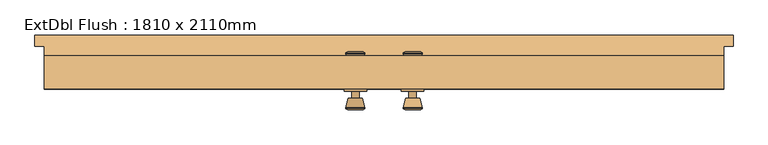
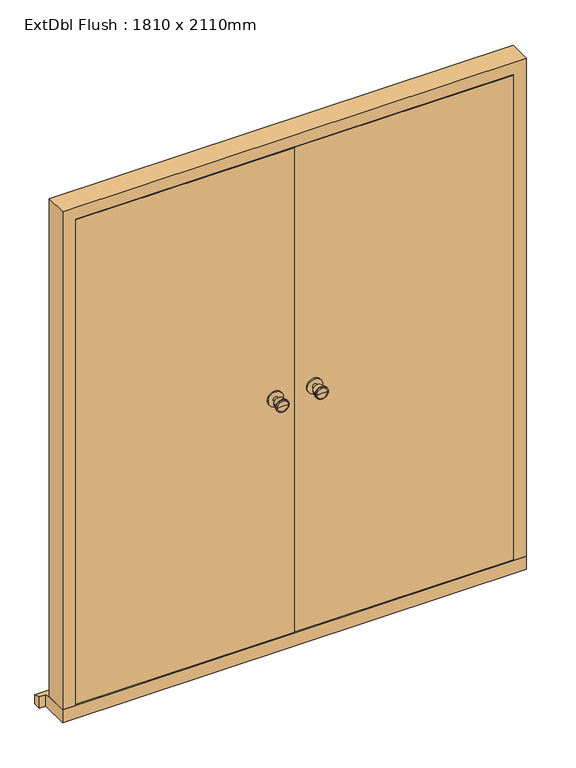
"""IFC4 building model written with IfcOpenShell, lengths in millimetres: door geometry, ExtDbl Flush : 1810 x 2110mm."""

from ifc_helpers import new_model, si_unit, point, frame, frame_2d, origin, place, context, project, spatial, polyline, circle_curve, trimmed, segment, composite_curve, outline, extrude, faceted_brep, source, transform, mapped, element, save
from ifc_brep_helpers import plane_surface, cylinder_surface, revolved_surface, advanced_brep


def extdbl_flush_1810_x_2110mm_9a210636(model_context):
    return source(origin(), model_context, "Body", "SolidModel", [
        advanced_brep(
        [(-76.5, -20.0, 1050.0), (-66.5, -20.0, 1050.0), (-86.5, -20.0, 1050.0), (-96.9758676, -69.0, 1050.0), (-56.0241324, -69.0, 1050.0), (-76.5, -69.0, 1050.0), (-101.5, -67.1721319, 1050.0), (-51.5, -67.1721319, 1050.0), (-101.5, -63.7084537, 1050.0), (-51.5, -63.7084537, 1050.0), (-95.136236, -39.0, 1050.0), (-57.863764, -39.0, 1050.0), (-86.5, -39.0, 1050.0), (-66.5, -39.0, 1050.0)],
        [
            (0, 1),
            (1, 2, circle_curve(frame((-76.5, -20.0, 1050.0), z_axis=(0.0, 1.0, 0.0), x_axis=(1.0, 0.0, 0.0)), 10.0)),
            (2, 0),
            (2, 1, circle_curve(frame((-76.5, -20.0, 1050.0), z_axis=(0.0, 1.0, 0.0), x_axis=(1.0, 0.0, 0.0)), 10.0)),
            (3, 4, circle_curve(frame((-76.5, -69.0, 1050.0), z_axis=(0.0, -1.0, 0.0), x_axis=(1.0, 0.0, 0.0)), 20.4758676)),
            (4, 5),
            (5, 3),
            (4, 3, circle_curve(frame((-76.5, -69.0, 1050.0), z_axis=(0.0, -1.0, 0.0), x_axis=(1.0, 0.0, 0.0)), 20.4758676)),
            (6, 7, circle_curve(frame((-76.5, -67.1721319, 1050.0), z_axis=(0.0, -1.0, 0.0), x_axis=(1.0, 0.0, 0.0)), 25.0)),
            (7, 4),
            (3, 6),
            (7, 6, circle_curve(frame((-76.5, -67.1721319, 1050.0), z_axis=(0.0, -1.0, 0.0), x_axis=(1.0, 0.0, 0.0)), 25.0)),
            (8, 9, circle_curve(frame((-76.5, -63.7084537, 1050.0), z_axis=(0.0, -1.0, 0.0), x_axis=(1.0, 0.0, 0.0)), 25.0)),
            (9, 7),
            (6, 8),
            (9, 8, circle_curve(frame((-76.5, -63.7084537, 1050.0), z_axis=(0.0, -1.0, 0.0), x_axis=(1.0, 0.0, 0.0)), 25.0)),
            (10, 11, circle_curve(frame((-76.5, -39.0, 1050.0), z_axis=(0.0, -1.0, 0.0), x_axis=(1.0, 0.0, 0.0)), 18.636236)),
            (11, 9),
            (8, 10),
            (11, 10, circle_curve(frame((-76.5, -39.0, 1050.0), z_axis=(0.0, -1.0, 0.0), x_axis=(1.0, 0.0, 0.0)), 18.636236)),
            (12, 13, circle_curve(frame((-76.5, -39.0, 1050.0), z_axis=(0.0, -1.0, 0.0), x_axis=(1.0, 0.0, 0.0)), 10.0)),
            (13, 11),
            (10, 12),
            (13, 12, circle_curve(frame((-76.5, -39.0, 1050.0), z_axis=(0.0, -1.0, 0.0), x_axis=(1.0, 0.0, 0.0)), 10.0)),
            (1, 13),
            (12, 2),
        ],
        [
            plane_surface(frame((-76.5, -20.0, 1050.0), z_axis=(0.0, 1.0, 0.0), x_axis=(1.0, 0.0, 0.0))),
            plane_surface(frame((-76.5, -69.0, 1050.0), z_axis=(0.0, -1.0, 0.0), x_axis=(1.0, 0.0, 0.0))),
            revolved_surface(polyline([(-56.0241324, -69.0, 1050.0), (-51.5, -67.1721319, 1050.0)]), (-76.5, -20.0, 1050.0), (0.0, 1.0, 0.0)),
            cylinder_surface(frame((-76.5, -20.0, 1050.0), z_axis=(0.0, 1.0, 0.0), x_axis=(1.0, 0.0, 0.0)), 25.0),
            revolved_surface(polyline([(-51.5, -63.7084537, 1050.0), (-57.863764, -39.0, 1050.0)]), (-76.5, -20.0, 1050.0), (0.0, 1.0, 0.0)),
            plane_surface(frame((-76.5, -39.0, 1050.0), z_axis=(0.0, 1.0, 0.0), x_axis=(1.0, 0.0, 0.0))),
            cylinder_surface(frame((-76.5, -20.0, 1050.0), z_axis=(0.0, 1.0, 0.0), x_axis=(1.0, 0.0, 0.0)), 10.0),
        ],
        [
            (0, [[1, 2, 3]]),
            (0, [[-3, 4, -1]]),
            (1, [[5, 6, 7]]),
            (1, [[8, -7, -6]]),
            (2, [[9, 10, -5, 11]]),
            (2, [[12, -11, -8, -10]]),
            (3, [[13, 14, -9, 15]]),
            (3, [[16, -15, -12, -14]]),
            (4, [[17, 18, -13, 19]]),
            (4, [[20, -19, -16, -18]]),
            (5, [[21, 22, -17, 23]]),
            (5, [[24, -23, -20, -22]]),
            (6, [[-2, 25, -21, 26]]),
            (6, [[-4, -26, -24, -25]]),
        ],
    ),
        extrude(outline(composite_curve([segment(trimmed(circle_curve(frame_2d((1050.0, -76.5)), 30.0), [point((1050.0, -46.5))], [point((1050.0, -106.5))], False, "CARTESIAN"), True, "CONTINUOUS"), segment(trimmed(circle_curve(frame_2d((1050.0, -76.5)), 30.0), [point((1050.0, -106.5))], [point((1050.0, -46.5))], False, "CARTESIAN"), True, "CONTINUOUS")], self_intersect=False)), frame((0.0, -20.0, 0.0), z_axis=(0.0, 1.0, 0.0), x_axis=(0.0, 0.0, 1.0)), (0.0, 0.0, 1.0), 6.0),
        advanced_brep(
        [(-76.5, 36.0, 1050.0), (-86.5, 36.0, 1050.0), (-66.5, 36.0, 1050.0), (-96.9758676, 85.0, 1050.0), (-76.5, 85.0, 1050.0), (-56.0241324, 85.0, 1050.0), (-101.5, 83.1721319, 1050.0), (-51.5, 83.1721319, 1050.0), (-101.5, 79.7084537, 1050.0), (-51.5, 79.7084537, 1050.0), (-95.136236, 55.0, 1050.0), (-57.863764, 55.0, 1050.0), (-86.5, 55.0, 1050.0), (-66.5, 55.0, 1050.0)],
        [
            (0, 1),
            (1, 2, circle_curve(frame((-76.5, 36.0, 1050.0), z_axis=(0.0, -1.0, 0.0), x_axis=(1.0, 0.0, 0.0)), 10.0)),
            (2, 0),
            (2, 1, circle_curve(frame((-76.5, 36.0, 1050.0), z_axis=(0.0, -1.0, 0.0), x_axis=(1.0, 0.0, 0.0)), 10.0)),
            (3, 4),
            (4, 5),
            (5, 3, circle_curve(frame((-76.5, 85.0, 1050.0), z_axis=(0.0, 1.0, 0.0), x_axis=(1.0, 0.0, 0.0)), 20.4758676)),
            (3, 5, circle_curve(frame((-76.5, 85.0, 1050.0), z_axis=(0.0, 1.0, 0.0), x_axis=(1.0, 0.0, 0.0)), 20.4758676)),
            (6, 3),
            (5, 7),
            (7, 6, circle_curve(frame((-76.5, 83.1721319, 1050.0), z_axis=(0.0, 1.0, 0.0), x_axis=(1.0, 0.0, 0.0)), 25.0)),
            (6, 7, circle_curve(frame((-76.5, 83.1721319, 1050.0), z_axis=(0.0, 1.0, 0.0), x_axis=(1.0, 0.0, 0.0)), 25.0)),
            (8, 6),
            (7, 9),
            (9, 8, circle_curve(frame((-76.5, 79.7084537, 1050.0), z_axis=(0.0, 1.0, 0.0), x_axis=(1.0, 0.0, 0.0)), 25.0)),
            (8, 9, circle_curve(frame((-76.5, 79.7084537, 1050.0), z_axis=(0.0, 1.0, 0.0), x_axis=(1.0, 0.0, 0.0)), 25.0)),
            (10, 8),
            (9, 11),
            (11, 10, circle_curve(frame((-76.5, 55.0, 1050.0), z_axis=(0.0, 1.0, 0.0), x_axis=(1.0, 0.0, 0.0)), 18.636236)),
            (10, 11, circle_curve(frame((-76.5, 55.0, 1050.0), z_axis=(0.0, 1.0, 0.0), x_axis=(1.0, 0.0, 0.0)), 18.636236)),
            (12, 10),
            (11, 13),
            (13, 12, circle_curve(frame((-76.5, 55.0, 1050.0), z_axis=(0.0, 1.0, 0.0), x_axis=(1.0, 0.0, 0.0)), 10.0)),
            (12, 13, circle_curve(frame((-76.5, 55.0, 1050.0), z_axis=(0.0, 1.0, 0.0), x_axis=(1.0, 0.0, 0.0)), 10.0)),
            (1, 12),
            (13, 2),
        ],
        [
            plane_surface(frame((-76.5, 36.0, 1050.0), z_axis=(0.0, -1.0, 0.0), x_axis=(1.0, 0.0, 0.0))),
            plane_surface(frame((-76.5, 85.0, 1050.0), z_axis=(0.0, 1.0, 0.0), x_axis=(1.0, 0.0, 0.0))),
            revolved_surface(polyline([(-56.0241324, 85.0, 1050.0), (-51.5, 83.1721319, 1050.0)]), (-76.5, 36.0, 1050.0), (0.0, -1.0, 0.0)),
            cylinder_surface(frame((-76.5, 36.0, 1050.0), z_axis=(0.0, -1.0, 0.0), x_axis=(1.0, 0.0, 0.0)), 25.0),
            revolved_surface(polyline([(-51.5, 79.7084537, 1050.0), (-57.863764, 55.0, 1050.0)]), (-76.5, 36.0, 1050.0), (0.0, -1.0, 0.0)),
            plane_surface(frame((-76.5, 55.0, 1050.0), z_axis=(0.0, -1.0, 0.0), x_axis=(1.0, 0.0, 0.0))),
            cylinder_surface(frame((-76.5, 36.0, 1050.0), z_axis=(0.0, -1.0, 0.0), x_axis=(1.0, 0.0, 0.0)), 10.0),
        ],
        [
            (0, [[1, 2, 3]]),
            (0, [[-3, 4, -1]]),
            (1, [[5, 6, 7]]),
            (1, [[-6, -5, 8]]),
            (2, [[9, -7, 10, 11]]),
            (2, [[-10, -8, -9, 12]]),
            (3, [[13, -11, 14, 15]]),
            (3, [[-14, -12, -13, 16]]),
            (4, [[17, -15, 18, 19]]),
            (4, [[-18, -16, -17, 20]]),
            (5, [[21, -19, 22, 23]]),
            (5, [[-22, -20, -21, 24]]),
            (6, [[25, -23, 26, -2]]),
            (6, [[-26, -24, -25, -4]]),
        ],
    ),
        extrude(outline(composite_curve([segment(trimmed(circle_curve(frame_2d((1050.0, -76.5)), 30.0), [point((1050.0, -46.5))], [point((1050.0, -106.5))], False, "CARTESIAN"), True, "CONTINUOUS"), segment(trimmed(circle_curve(frame_2d((1050.0, -76.5)), 30.0), [point((1050.0, -106.5))], [point((1050.0, -46.5))], False, "CARTESIAN"), True, "CONTINUOUS")], self_intersect=False)), frame((0.0, 30.0, 0.0), z_axis=(0.0, 1.0, 0.0), x_axis=(0.0, 0.0, 1.0)), (0.0, 0.0, 1.0), 6.0),
        advanced_brep(
        [(76.5, -20.0, 1050.0), (86.5, -20.0, 1050.0), (66.5, -20.0, 1050.0), (96.9758676, -69.0, 1050.0), (76.5, -69.0, 1050.0), (56.0241324, -69.0, 1050.0), (101.5, -67.1721319, 1050.0), (51.5, -67.1721319, 1050.0), (101.5, -63.7084537, 1050.0), (51.5, -63.7084537, 1050.0), (95.136236, -39.0, 1050.0), (57.863764, -39.0, 1050.0), (86.5, -39.0, 1050.0), (66.5, -39.0, 1050.0)],
        [
            (0, 1),
            (1, 2, circle_curve(frame((76.5, -20.0, 1050.0), z_axis=(0.0, 1.0, 0.0), x_axis=(-1.0, 0.0, 0.0)), 10.0)),
            (2, 0),
            (2, 1, circle_curve(frame((76.5, -20.0, 1050.0), z_axis=(0.0, 1.0, 0.0), x_axis=(-1.0, 0.0, 0.0)), 10.0)),
            (3, 4),
            (4, 5),
            (5, 3, circle_curve(frame((76.5, -69.0, 1050.0), z_axis=(0.0, -1.0, 0.0), x_axis=(-1.0, 0.0, 0.0)), 20.4758676)),
            (3, 5, circle_curve(frame((76.5, -69.0, 1050.0), z_axis=(0.0, -1.0, 0.0), x_axis=(-1.0, 0.0, 0.0)), 20.4758676)),
            (6, 3),
            (5, 7),
            (7, 6, circle_curve(frame((76.5, -67.1721319, 1050.0), z_axis=(0.0, -1.0, 0.0), x_axis=(-1.0, 0.0, 0.0)), 25.0)),
            (6, 7, circle_curve(frame((76.5, -67.1721319, 1050.0), z_axis=(0.0, -1.0, 0.0), x_axis=(-1.0, 0.0, 0.0)), 25.0)),
            (8, 6),
            (7, 9),
            (9, 8, circle_curve(frame((76.5, -63.7084537, 1050.0), z_axis=(0.0, -1.0, 0.0), x_axis=(-1.0, 0.0, 0.0)), 25.0)),
            (8, 9, circle_curve(frame((76.5, -63.7084537, 1050.0), z_axis=(0.0, -1.0, 0.0), x_axis=(-1.0, 0.0, 0.0)), 25.0)),
            (10, 8),
            (9, 11),
            (11, 10, circle_curve(frame((76.5, -39.0, 1050.0), z_axis=(0.0, -1.0, 0.0), x_axis=(-1.0, 0.0, 0.0)), 18.636236)),
            (10, 11, circle_curve(frame((76.5, -39.0, 1050.0), z_axis=(0.0, -1.0, 0.0), x_axis=(-1.0, 0.0, 0.0)), 18.636236)),
            (12, 10),
            (11, 13),
            (13, 12, circle_curve(frame((76.5, -39.0, 1050.0), z_axis=(0.0, -1.0, 0.0), x_axis=(-1.0, 0.0, 0.0)), 10.0)),
            (12, 13, circle_curve(frame((76.5, -39.0, 1050.0), z_axis=(0.0, -1.0, 0.0), x_axis=(-1.0, 0.0, 0.0)), 10.0)),
            (1, 12),
            (13, 2),
        ],
        [
            plane_surface(frame((76.5, -20.0, 1050.0), z_axis=(0.0, 1.0, 0.0), x_axis=(-1.0, 0.0, 0.0))),
            plane_surface(frame((76.5, -69.0, 1050.0), z_axis=(0.0, -1.0, 0.0), x_axis=(-1.0, 0.0, 0.0))),
            revolved_surface(polyline([(56.0241324, -69.0, 1050.0), (51.5, -67.1721319, 1050.0)]), (76.5, -20.0, 1050.0), (0.0, 1.0, 0.0)),
            cylinder_surface(frame((76.5, -20.0, 1050.0), z_axis=(0.0, 1.0, 0.0), x_axis=(-1.0, 0.0, 0.0)), 25.0),
            revolved_surface(polyline([(51.5, -63.7084537, 1050.0), (57.863764, -39.0, 1050.0)]), (76.5, -20.0, 1050.0), (0.0, 1.0, 0.0)),
            plane_surface(frame((76.5, -39.0, 1050.0), z_axis=(0.0, 1.0, 0.0), x_axis=(-1.0, 0.0, 0.0))),
            cylinder_surface(frame((76.5, -20.0, 1050.0), z_axis=(0.0, 1.0, 0.0), x_axis=(-1.0, 0.0, 0.0)), 10.0),
        ],
        [
            (0, [[1, 2, 3]]),
            (0, [[-3, 4, -1]]),
            (1, [[5, 6, 7]]),
            (1, [[-6, -5, 8]]),
            (2, [[9, -7, 10, 11]]),
            (2, [[-10, -8, -9, 12]]),
            (3, [[13, -11, 14, 15]]),
            (3, [[-14, -12, -13, 16]]),
            (4, [[17, -15, 18, 19]]),
            (4, [[-18, -16, -17, 20]]),
            (5, [[21, -19, 22, 23]]),
            (5, [[-22, -20, -21, 24]]),
            (6, [[25, -23, 26, -2]]),
            (6, [[-26, -24, -25, -4]]),
        ],
    ),
        extrude(outline(composite_curve([segment(trimmed(circle_curve(frame_2d((1050.0, 76.5)), 30.0), [point((1050.0, 46.5))], [point((1050.0, 106.5))], False, "CARTESIAN"), True, "CONTINUOUS"), segment(trimmed(circle_curve(frame_2d((1050.0, 76.5)), 30.0), [point((1050.0, 106.5))], [point((1050.0, 46.5))], False, "CARTESIAN"), True, "CONTINUOUS")], self_intersect=False)), frame((0.0, -20.0, 0.0), z_axis=(0.0, 1.0, 0.0), x_axis=(0.0, 0.0, 1.0)), (0.0, 0.0, 1.0), 6.0),
        advanced_brep(
        [(76.5, 36.0, 1050.0), (66.5, 36.0, 1050.0), (86.5, 36.0, 1050.0), (96.9758676, 85.0, 1050.0), (56.0241324, 85.0, 1050.0), (76.5, 85.0, 1050.0), (101.5, 83.1721319, 1050.0), (51.5, 83.1721319, 1050.0), (101.5, 79.7084537, 1050.0), (51.5, 79.7084537, 1050.0), (95.136236, 55.0, 1050.0), (57.863764, 55.0, 1050.0), (86.5, 55.0, 1050.0), (66.5, 55.0, 1050.0)],
        [
            (0, 1),
            (1, 2, circle_curve(frame((76.5, 36.0, 1050.0), z_axis=(0.0, -1.0, 0.0), x_axis=(-1.0, 0.0, 0.0)), 10.0)),
            (2, 0),
            (2, 1, circle_curve(frame((76.5, 36.0, 1050.0), z_axis=(0.0, -1.0, 0.0), x_axis=(-1.0, 0.0, 0.0)), 10.0)),
            (3, 4, circle_curve(frame((76.5, 85.0, 1050.0), z_axis=(0.0, 1.0, 0.0), x_axis=(-1.0, 0.0, 0.0)), 20.4758676)),
            (4, 5),
            (5, 3),
            (4, 3, circle_curve(frame((76.5, 85.0, 1050.0), z_axis=(0.0, 1.0, 0.0), x_axis=(-1.0, 0.0, 0.0)), 20.4758676)),
            (6, 7, circle_curve(frame((76.5, 83.1721319, 1050.0), z_axis=(0.0, 1.0, 0.0), x_axis=(-1.0, 0.0, 0.0)), 25.0)),
            (7, 4),
            (3, 6),
            (7, 6, circle_curve(frame((76.5, 83.1721319, 1050.0), z_axis=(0.0, 1.0, 0.0), x_axis=(-1.0, 0.0, 0.0)), 25.0)),
            (8, 9, circle_curve(frame((76.5, 79.7084537, 1050.0), z_axis=(0.0, 1.0, 0.0), x_axis=(-1.0, 0.0, 0.0)), 25.0)),
            (9, 7),
            (6, 8),
            (9, 8, circle_curve(frame((76.5, 79.7084537, 1050.0), z_axis=(0.0, 1.0, 0.0), x_axis=(-1.0, 0.0, 0.0)), 25.0)),
            (10, 11, circle_curve(frame((76.5, 55.0, 1050.0), z_axis=(0.0, 1.0, 0.0), x_axis=(-1.0, 0.0, 0.0)), 18.636236)),
            (11, 9),
            (8, 10),
            (11, 10, circle_curve(frame((76.5, 55.0, 1050.0), z_axis=(0.0, 1.0, 0.0), x_axis=(-1.0, 0.0, 0.0)), 18.636236)),
            (12, 13, circle_curve(frame((76.5, 55.0, 1050.0), z_axis=(0.0, 1.0, 0.0), x_axis=(-1.0, 0.0, 0.0)), 10.0)),
            (13, 11),
            (10, 12),
            (13, 12, circle_curve(frame((76.5, 55.0, 1050.0), z_axis=(0.0, 1.0, 0.0), x_axis=(-1.0, 0.0, 0.0)), 10.0)),
            (1, 13),
            (12, 2),
        ],
        [
            plane_surface(frame((76.5, 36.0, 1050.0), z_axis=(0.0, -1.0, 0.0), x_axis=(-1.0, 0.0, 0.0))),
            plane_surface(frame((76.5, 85.0, 1050.0), z_axis=(0.0, 1.0, 0.0), x_axis=(-1.0, 0.0, 0.0))),
            revolved_surface(polyline([(56.0241324, 85.0, 1050.0), (51.5, 83.1721319, 1050.0)]), (76.5, 36.0, 1050.0), (0.0, -1.0, 0.0)),
            cylinder_surface(frame((76.5, 36.0, 1050.0), z_axis=(0.0, -1.0, 0.0), x_axis=(-1.0, 0.0, 0.0)), 25.0),
            revolved_surface(polyline([(51.5, 79.7084537, 1050.0), (57.863764, 55.0, 1050.0)]), (76.5, 36.0, 1050.0), (0.0, -1.0, 0.0)),
            plane_surface(frame((76.5, 55.0, 1050.0), z_axis=(0.0, -1.0, 0.0), x_axis=(-1.0, 0.0, 0.0))),
            cylinder_surface(frame((76.5, 36.0, 1050.0), z_axis=(0.0, -1.0, 0.0), x_axis=(-1.0, 0.0, 0.0)), 10.0),
        ],
        [
            (0, [[1, 2, 3]]),
            (0, [[-3, 4, -1]]),
            (1, [[5, 6, 7]]),
            (1, [[8, -7, -6]]),
            (2, [[9, 10, -5, 11]]),
            (2, [[12, -11, -8, -10]]),
            (3, [[13, 14, -9, 15]]),
            (3, [[16, -15, -12, -14]]),
            (4, [[17, 18, -13, 19]]),
            (4, [[20, -19, -16, -18]]),
            (5, [[21, 22, -17, 23]]),
            (5, [[24, -23, -20, -22]]),
            (6, [[-2, 25, -21, 26]]),
            (6, [[-4, -26, -24, -25]]),
        ],
    ),
        extrude(outline(composite_curve([segment(trimmed(circle_curve(frame_2d((1050.0, 76.5)), 30.0), [point((1050.0, 46.5))], [point((1050.0, 106.5))], False, "CARTESIAN"), True, "CONTINUOUS"), segment(trimmed(circle_curve(frame_2d((1050.0, 76.5)), 30.0), [point((1050.0, 106.5))], [point((1050.0, 46.5))], False, "CARTESIAN"), True, "CONTINUOUS")], self_intersect=False)), frame((0.0, 30.0, 0.0), z_axis=(0.0, 1.0, 0.0), x_axis=(0.0, 0.0, 1.0)), (0.0, 0.0, 1.0), 6.0),
        faceted_brep([(834.5, 75.0, 54.5), (905.0, 75.0, 54.5), (905.0, -14.0, 54.5), (856.5, -14.0, 54.5), (856.5, 33.0, 54.5), (834.5, 33.0, 54.5), (834.5, 75.0, 2039.5), (-834.5, 75.0, 2039.5), (-834.5, 75.0, 54.5), (-905.0, 75.0, 54.5), (-905.0, 75.0, 2110.0), (905.0, 75.0, 2110.0), (905.0, -14.0, 2110.0), (-905.0, -14.0, 2110.0), (-905.0, -14.0, 54.5), (-856.5, -14.0, 54.5), (-856.5, -14.0, 2061.5), (856.5, -14.0, 2061.5), (856.5, 33.0, 2061.5), (-856.5, 33.0, 2061.5), (-856.5, 33.0, 54.5), (-834.5, 33.0, 54.5), (-834.5, 33.0, 2039.5), (834.5, 33.0, 2039.5)], [[[0, 1, 2, 3, 4, 5]], [[1, 0, 6, 7, 8, 9, 10, 11]], [[2, 1, 11, 12]], [[3, 2, 12, 13, 14, 15, 16, 17]], [[4, 3, 17, 18]], [[5, 4, 18, 19, 20, 21, 22, 23]], [[0, 5, 23, 6]], [[12, 11, 10, 13]], [[18, 17, 16, 19]], [[6, 23, 22, 7]], [[8, 21, 20, 15, 14, 9]], [[13, 10, 9, 14]], [[19, 16, 15, 20]], [[7, 22, 21, 8]]]),
        faceted_brep([(930.0, 130.0, 0.0), (930.0, 130.0, 38.5947221), (930.0, 100.0, 47.2703282), (930.0, 100.0, 0.0), (-930.0, 130.0, 38.5947221), (-930.0, 130.0, 0.0), (-930.0, 100.0, 0.0), (-930.0, 100.0, 47.2703282), (905.0, 100.0, 0.0), (905.0, -14.0, 0.0), (-905.0, -14.0, 0.0), (-905.0, 100.0, 0.0), (-905.0, 100.0, 47.2703282), (-905.0, 75.0, 54.5), (905.0, 75.0, 54.5), (905.0, 100.0, 47.2703282), (-905.0, -14.0, 54.5), (905.0, -14.0, 54.5)], [[[0, 1, 2, 3]], [[4, 5, 6, 7]], [[5, 0, 3, 8, 9, 10, 11, 6]], [[1, 0, 5, 4]], [[1, 4, 7, 12, 13, 14, 15, 2]], [[13, 16, 17, 14]], [[16, 10, 9, 17]], [[12, 11, 10, 16, 13]], [[11, 12, 7, 6]], [[8, 15, 14, 17, 9]], [[15, 8, 3, 2]]]),
        extrude(outline(polyline([(853.5, -14.0), (1.5, -14.0), (1.5, 30.0), (853.5, 30.0), (853.5, -14.0)])), frame((0.0, 0.0, 58.5), z_axis=(0.0, 0.0, 1.0), x_axis=(1.0, 0.0, 0.0)), (0.0, 0.0, 1.0), 2000.0),
        extrude(outline(polyline([(-1.5, -14.0), (-853.5, -14.0), (-853.5, 30.0), (-1.5, 30.0), (-1.5, -14.0)])), frame((0.0, 0.0, 58.5), z_axis=(0.0, 0.0, 1.0), x_axis=(1.0, 0.0, 0.0)), (0.0, 0.0, 1.0), 2000.0),
    ])


if __name__ == "__main__":
    model = new_model("IFC4")
    model_context = context("Model", 3, world=origin())
    ifc_project = project(units=[si_unit("LENGTHUNIT", "METRE", prefix="MILLI")], contexts=[model_context])
    site = spatial("IfcSite", under=ifc_project)
    building = spatial("IfcBuilding", under=site)
    placement = place(None, origin())
    extdbl_flush_1810_x_2110mm_shape = extdbl_flush_1810_x_2110mm_9a210636(model_context)
    element("IfcDoor", 1, ObjectType="ExtDbl Flush : 1810 x 2110mm", at=placement, inside=building, context=model_context, shape_type="MappedRepresentation", body=[
        mapped(extdbl_flush_1810_x_2110mm_shape, transform((0.0, 0.0, 0.0), x_axis=(1.0, 0.0, 0.0), y_axis=(0.0, 1.0, 0.0), z_axis=(0.0, 0.0, 1.0))),
    ])
    save(model, "model.ifc")
